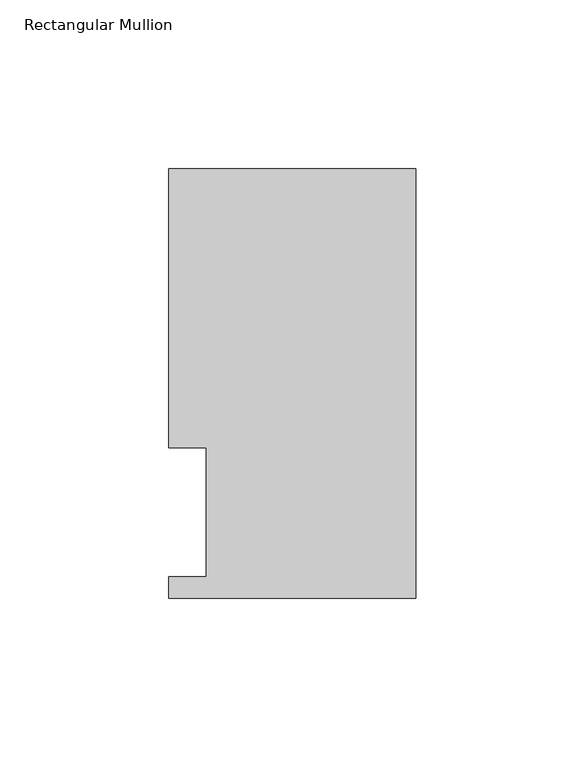
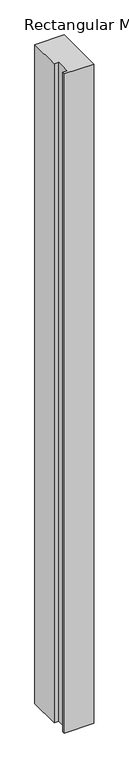
"""IFC4 building model written with IfcOpenShell, lengths in millimetres: member geometry, Rectangular Mullion."""

from ifc_helpers import new_model, si_unit, frame, origin, place, context, project, spatial, polyline, outline, extrude, source, transform, mapped, element, save


def rectangular_mullion_eacffa2d(model_context):
    return source(origin(), model_context, "Body", "SweptSolid", [
        extrude(outline(polyline([(0.0, 127.0), (0.0, 0.0), (-73.025, 0.0), (-73.025, 6.35), (-61.9125, 6.35), (-61.9125, 44.45), (-73.025, 44.45), (-73.025, 127.0), (0.0, 127.0)])), frame((0.0, 0.0, -1733.55), z_axis=(0.0, 0.0, 1.0), x_axis=(1.0, 0.0, 0.0)), (0.0, 0.0, 1.0), 1733.55),
    ])


if __name__ == "__main__":
    model = new_model("IFC4")
    model_context = context("Model", 3, world=origin())
    ifc_project = project(units=[si_unit("LENGTHUNIT", "METRE", prefix="MILLI")], contexts=[model_context])
    site = spatial("IfcSite", under=ifc_project)
    building = spatial("IfcBuilding", under=site)
    placement = place(None, origin())
    rectangular_mullion_shape = rectangular_mullion_eacffa2d(model_context)
    element("IfcMember", 1, ObjectType="Rectangular Mullion", at=placement, inside=building, context=model_context, shape_type="MappedRepresentation", body=[
        mapped(rectangular_mullion_shape, transform((0.0, 0.0, 0.0), x_axis=(1.0, 0.0, 0.0), y_axis=(0.0, 1.0, 0.0), z_axis=(0.0, 0.0, 1.0))),
    ])
    save(model, "model.ifc")
